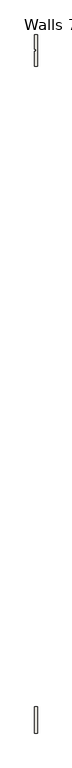
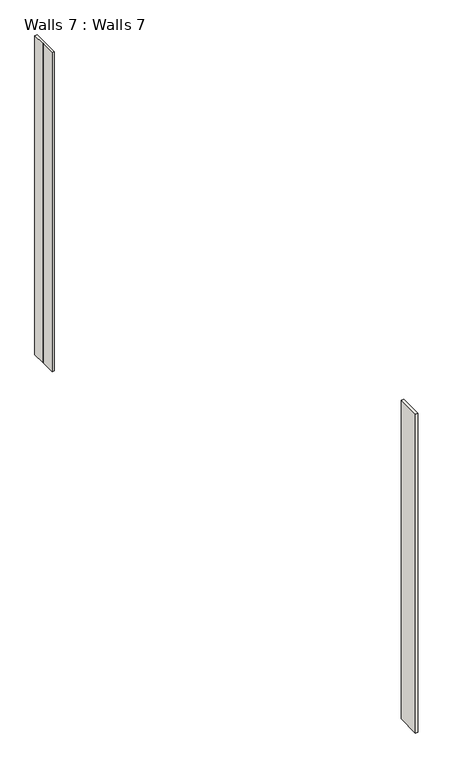
"""IFC4 building model written with IfcOpenShell, lengths in millimetres: wall geometry, Walls 7 : Walls 7."""

from ifc_helpers import new_model, si_unit, frame, origin, place, context, project, spatial, polyline, outline, extrude, source, transform, mapped, element, save


def walls_7_walls_7_c3852eaf(model_context):
    return source(origin(), model_context, "Body", "SweptSolid", [
        extrude(outline(polyline([(33287.0624503, -20216.5812754), (33287.0624503, -20408.5812754), (33271.0624503, -20408.5812754), (33271.0624503, -20315.4516578), (33279.0624503, -20315.4516578), (33279.0624503, -20303.4516578), (33271.0624503, -20303.4516578), (33271.0624503, -20216.5812754), (33287.0624503, -20216.5812754)])), frame((0.0, 0.0, 4550.0), z_axis=(0.0, 0.0, 1.0), x_axis=(1.0, 0.0, 0.0)), (0.0, 0.0, 1.0), 2186.0),
        extrude(outline(polyline([(33271.0624503, -24495.5916387), (33271.0624503, -24335.5812759), (33287.0624503, -24335.5812759), (33287.0624503, -24495.5916387), (33271.0624503, -24495.5916387)])), frame((0.0, 0.0, 4550.0), z_axis=(0.0, 0.0, 1.0), x_axis=(1.0, 0.0, 0.0)), (0.0, 0.0, 1.0), 2186.0),
    ])


if __name__ == "__main__":
    model = new_model("IFC4")
    model_context = context("Model", 3, world=origin())
    ifc_project = project(units=[si_unit("LENGTHUNIT", "METRE", prefix="MILLI")], contexts=[model_context])
    site = spatial("IfcSite", under=ifc_project)
    building = spatial("IfcBuilding", under=site)
    placement = place(None, origin())
    walls_7_walls_7_shape = walls_7_walls_7_c3852eaf(model_context)
    element("IfcWall", 1, ObjectType="Walls 7 : Walls 7", at=placement, inside=building, context=model_context, shape_type="MappedRepresentation", body=[
        mapped(walls_7_walls_7_shape, transform((0.0, 0.0, 0.0), x_axis=(1.0, 0.0, 0.0), y_axis=(0.0, 1.0, 0.0), z_axis=(0.0, 0.0, 1.0))),
    ])
    save(model, "model.ifc")
